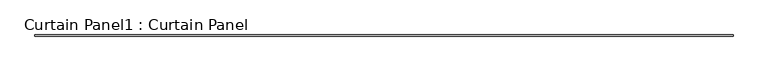
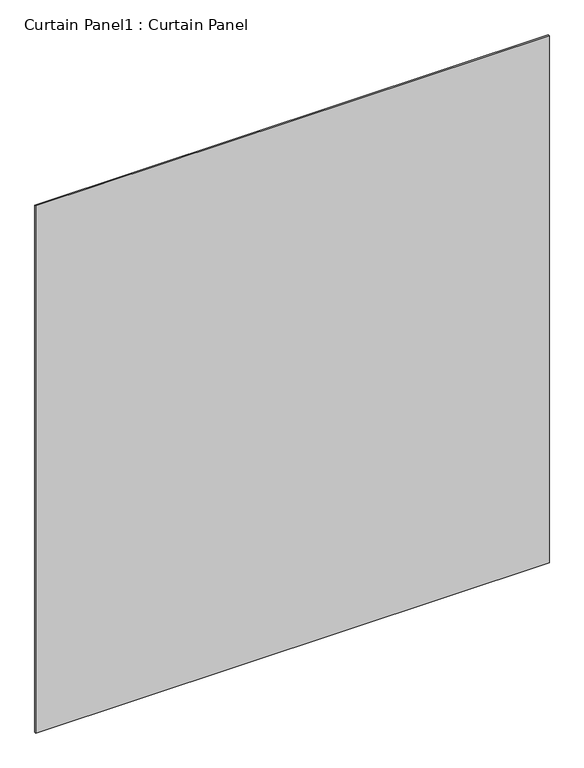
"""IFC4 building model written with IfcOpenShell, lengths in millimetres: plate geometry, Curtain Panel1 : Curtain Panel."""

import ifcopenshell
import ifcopenshell.guid

model = None  # the IFC model being written
_history = None  # IfcOwnerHistory: only IFC2X3 demands one
_inside = {}  # id of a spatial element -> (the spatial element, [elements in it])
_under = {}  # id of a project, library or spatial element -> (it, [spatial elements below it])
_declared = {}  # id of a project -> (the project, [libraries it declares])
_typed = {}  # id of a type object -> (the type object, [elements of that type])
_made_of = {}  # id of a material, layer set ... -> (it, [elements and type objects made of it])


def new_model(schema):
    """Start an empty IFC model of exactly this schema.

    Asked for "IFC4X3", IfcOpenShell would pick the latest addendum, in which some entities
    have other attributes; the version numbers below select the first issue.
    IFC2X3 requires an IfcOwnerHistory on every rooted entity: one is made here for all.
    """
    global model, _history
    if schema == "IFC4X3":
        model = ifcopenshell.file(schema_version=(4, 3, 0, 0))
    else:
        model = ifcopenshell.file(schema=schema)
    _inside.clear()
    _under.clear()
    _declared.clear()
    _typed.clear()
    _made_of.clear()
    _history = None
    if model.schema == "IFC2X3":
        org = make("IfcOrganization", Name="unknown")
        user = make(
            "IfcPersonAndOrganization",
            ThePerson=make("IfcPerson", FamilyName="unknown"),
            TheOrganization=org,
        )
        app = make(
            "IfcApplication",
            ApplicationDeveloper=org,
            Version="unknown",
            ApplicationFullName="unknown",
            ApplicationIdentifier="unknown",
        )
        _history = make(
            "IfcOwnerHistory",
            OwningUser=user,
            OwningApplication=app,
            ChangeAction="ADDED",
            CreationDate=0,
        )
    return model


def make(cls, **values):
    """One entity of the class cls with the attributes given. An attribute that is None is left unset."""
    return model.create_entity(
        cls, **{name: value for name, value in values.items() if value is not None}
    )


def rooted(cls, **values):
    """An entity with a GlobalId (a new one), such as an element, a storey or a relation."""
    return make(cls, GlobalId=ifcopenshell.guid.new(), OwnerHistory=_history, **values)


def si_unit(unit_type, name, prefix=None):
    """IfcSIUnit, for example si_unit("LENGTHUNIT", "METRE", prefix="MILLI")."""
    return make("IfcSIUnit", UnitType=unit_type, Prefix=prefix, Name=name)


def assignment(units):
    """IfcUnitAssignment: the units of a project."""
    return None if units is None else make("IfcUnitAssignment", Units=units)


def point(xyz):
    """IfcCartesianPoint."""
    return None if xyz is None else make("IfcCartesianPoint", Coordinates=xyz)


def direction(xyz):
    """IfcDirection."""
    return None if xyz is None else make("IfcDirection", DirectionRatios=xyz)


def frame(location, z_axis=None, x_axis=None):
    """IfcAxis2Placement3D, a coordinate frame: its origin and axes. An axis left out is left unset."""
    return make(
        "IfcAxis2Placement3D",
        Location=point(location),
        Axis=direction(z_axis),
        RefDirection=direction(x_axis),
    )


def origin():
    """The frame at (0, 0, 0) with its axes left unset."""
    return frame((0.0, 0.0, 0.0))


def origin_with_axes():
    """The frame at (0, 0, 0) with the z axis (0, 0, 1) and the x axis (1, 0, 0) written out."""
    return frame((0.0, 0.0, 0.0), z_axis=(0.0, 0.0, 1.0), x_axis=(1.0, 0.0, 0.0))


def place(relative_to, where):
    """IfcLocalPlacement: puts the frame where relative to a parent placement (None: the world)."""
    return make(
        "IfcLocalPlacement", PlacementRelTo=relative_to, RelativePlacement=where
    )


def context(
    kind, dimensions, precision=None, world=None, true_north=None, identifier=None
):
    """IfcGeometricRepresentationContext, for example the 3D "Model" context."""
    return make(
        "IfcGeometricRepresentationContext",
        ContextIdentifier=identifier,
        ContextType=kind,
        CoordinateSpaceDimension=dimensions,
        Precision=precision,
        WorldCoordinateSystem=world,
        TrueNorth=true_north,
    )


def project(units=None, contexts=None):
    """IfcProject with its units and contexts."""
    return rooted(
        "IfcProject",
        Name="project",
        RepresentationContexts=contexts,
        UnitsInContext=assignment(units),
    )


def spatial(cls, under=None, at=None, **own):
    """A site, building, storey or space (cls), placed at a placement, below another one or the project."""
    s = rooted(cls, ObjectPlacement=at, **own)
    if under is not None:
        _under.setdefault(under.id(), (under, []))[1].append(s)
    return s


def polyline(points):
    """IfcPolyline through the points."""
    return make("IfcPolyline", Points=[point(p) for p in points])


def outline(outer, holes=None, kind="AREA"):
    """IfcArbitraryClosedProfileDef: a profile drawn as a closed curve; with holes, ...WithVoids."""
    if holes is None:
        return make("IfcArbitraryClosedProfileDef", ProfileType=kind, OuterCurve=outer)
    return make(
        "IfcArbitraryProfileDefWithVoids",
        ProfileType=kind,
        OuterCurve=outer,
        InnerCurves=holes,
    )


def extrude(swept, where, along, depth):
    """IfcExtrudedAreaSolid: the profile swept, set in the frame where, extruded along a direction by depth."""
    return make(
        "IfcExtrudedAreaSolid",
        SweptArea=swept,
        Position=where,
        ExtrudedDirection=direction(along),
        Depth=depth,
    )


def shape(context_of_items, identifier, shape_type, items):
    """IfcShapeRepresentation: the items that make up one representation, for example the "Body"."""
    return make(
        "IfcShapeRepresentation",
        ContextOfItems=context_of_items,
        RepresentationIdentifier=identifier,
        RepresentationType=shape_type,
        Items=items,
    )


def source(mapping_origin, context_of_items, identifier, shape_type, items):
    """IfcRepresentationMap: a shape defined once, which mapped items show again and again."""
    return make(
        "IfcRepresentationMap",
        MappingOrigin=mapping_origin,
        MappedRepresentation=shape(context_of_items, identifier, shape_type, items),
    )


def transform(
    local_origin,
    x_axis=None,
    y_axis=None,
    z_axis=None,
    scale=None,
    scale2=None,
    scale3=None,
    uniform=True,
):
    """IfcCartesianTransformationOperator3D, or its non-uniform kind. x_axis, y_axis, z_axis: its Axis1, 2, 3."""
    if uniform:
        return make(
            "IfcCartesianTransformationOperator3D",
            Axis1=direction(x_axis),
            Axis2=direction(y_axis),
            LocalOrigin=point(local_origin),
            Scale=scale,
            Axis3=direction(z_axis),
        )
    return make(
        "IfcCartesianTransformationOperator3DnonUniform",
        Axis1=direction(x_axis),
        Axis2=direction(y_axis),
        LocalOrigin=point(local_origin),
        Scale=scale,
        Axis3=direction(z_axis),
        Scale2=scale2,
        Scale3=scale3,
    )


def mapped(mapping_source, mapping_target):
    """IfcMappedItem: shows the shape of a source again, moved by a transform."""
    return make(
        "IfcMappedItem", MappingSource=mapping_source, MappingTarget=mapping_target
    )


def made_of(thing, what):
    """Note that an element or type object is made of a material, layer set ...; save() writes the relation."""
    if what is not None:
        _made_of.setdefault(what.id(), (what, []))[1].append(thing)
    return thing


def element(
    cls,
    number,
    at=None,
    inside=None,
    cuts=None,
    type_object=None,
    material=None,
    context=None,
    identifier="Body",
    shape_type=None,
    held_by="IfcProductDefinitionShape",
    body=None,
    shapes=None,
    **own,
):
    """One element of the class cls, such as IfcWall. Its Tag is "e" and its number.

    at: its placement. inside: the storey or other place that contains it. cuts: it is an
    opening in that element (IfcRelVoidsElement). A single representation is given by context,
    identifier, shape_type and body (its items); several are given by shapes. held_by: the class
    of the entity that holds the representations. save() writes the other relations.
    """
    e = rooted(cls, Tag="e%d" % number, ObjectPlacement=at, **own)
    if body is not None:
        shapes = [shape(context, identifier, shape_type, body)]
    if shapes is not None:
        e.Representation = make(held_by, Representations=shapes)
    if inside is not None:
        _inside.setdefault(inside.id(), (inside, []))[1].append(e)
    if cuts is not None:
        rooted(
            "IfcRelVoidsElement", RelatingBuildingElement=cuts, RelatedOpeningElement=e
        )
    if type_object is not None:
        _typed.setdefault(type_object.id(), (type_object, []))[1].append(e)
    return made_of(e, material)


def aggregate(whole, parts):
    """IfcRelAggregates: a whole, such as a stair, and the parts it consists of."""
    return rooted("IfcRelAggregates", RelatingObject=whole, RelatedObjects=parts)


def save(model, path):
    """Write the relations noted so far, then the file.

    IfcRelAggregates (storeys below a building ...), IfcRelContainedInSpatialStructure (elements
    in a storey), IfcRelDefinesByType, IfcRelAssociatesMaterial and IfcRelDeclares: one each for
    every whole, place, type object, material and project.
    """
    for whole, parts in _under.values():
        aggregate(whole, parts)
    for where, things in _inside.values():
        rooted(
            "IfcRelContainedInSpatialStructure",
            RelatedElements=things,
            RelatingStructure=where,
        )
    for kind, things in _typed.values():
        rooted("IfcRelDefinesByType", RelatedObjects=things, RelatingType=kind)
    for what, things in _made_of.values():
        rooted("IfcRelAssociatesMaterial", RelatedObjects=things, RelatingMaterial=what)
    for by, libraries in _declared.values():
        rooted("IfcRelDeclares", RelatingContext=by, RelatedDefinitions=libraries)
    model.write(path)


def curtain_panel1_curtain_panel_4e8170b2(model_context):
    return source(origin(), model_context, "Body", "SweptSolid", [
        extrude(outline(polyline([(-148797.2521181, -8938.0927648), (-145987.2991214, -8938.0927648), (-145987.2991214, -8944.4427648), (-148797.2521181, -8944.4427648), (-148797.2521181, -8938.0927648)])), origin_with_axes(), (0.0, 0.0, 1.0), 3048.0),
    ])


if __name__ == "__main__":
    model = new_model("IFC4")
    model_context = context("Model", 3, world=origin())
    ifc_project = project(units=[si_unit("LENGTHUNIT", "METRE", prefix="MILLI")], contexts=[model_context])
    site = spatial("IfcSite", under=ifc_project)
    building = spatial("IfcBuilding", under=site)
    placement = place(None, origin())
    curtain_panel1_curtain_panel_shape = curtain_panel1_curtain_panel_4e8170b2(model_context)
    element("IfcPlate", 1, ObjectType="Curtain Panel1 : Curtain Panel", at=placement, inside=building, context=model_context, shape_type="MappedRepresentation", body=[
        mapped(curtain_panel1_curtain_panel_shape, transform((0.0, 0.0, 0.0), x_axis=(1.0, 0.0, 0.0), y_axis=(0.0, 1.0, 0.0), z_axis=(0.0, 0.0, 1.0))),
    ])
    save(model, "model.ifc")
